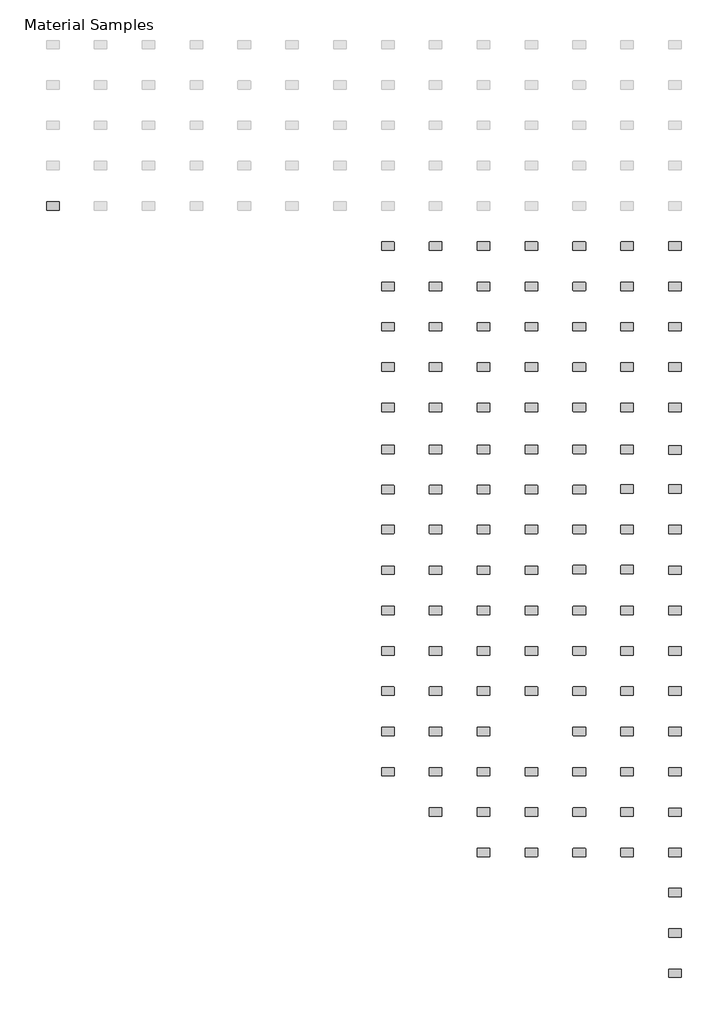
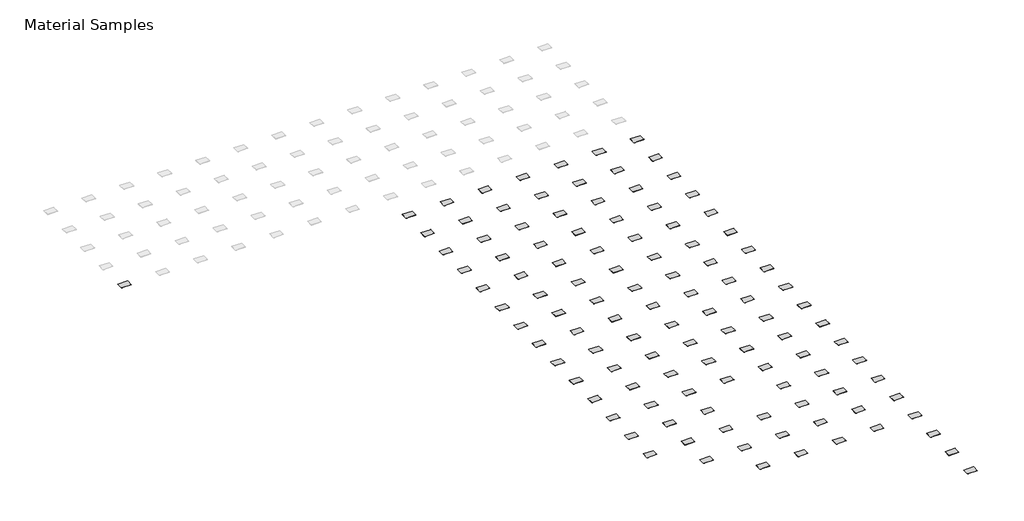
# One storey, part 6 of 15: 112 furniture elements.
"""IFC4 building model written with IfcOpenShell, lengths in millimetres."""

import ifcopenshell
import ifcopenshell.guid

model = None  # the IFC model being written
_history = None  # IfcOwnerHistory: only IFC2X3 demands one
_inside = {}  # id of a spatial element -> (the spatial element, [elements in it])
_under = {}  # id of a project, library or spatial element -> (it, [spatial elements below it])
_declared = {}  # id of a project -> (the project, [libraries it declares])
_typed = {}  # id of a type object -> (the type object, [elements of that type])
_made_of = {}  # id of a material, layer set ... -> (it, [elements and type objects made of it])


def new_model(schema):
    """Start an empty IFC model of exactly this schema.

    Asked for "IFC4X3", IfcOpenShell would pick the latest addendum, in which some entities
    have other attributes; the version numbers below select the first issue.
    IFC2X3 requires an IfcOwnerHistory on every rooted entity: one is made here for all.
    """
    global model, _history
    if schema == "IFC4X3":
        model = ifcopenshell.file(schema_version=(4, 3, 0, 0))
    else:
        model = ifcopenshell.file(schema=schema)
    _inside.clear()
    _under.clear()
    _declared.clear()
    _typed.clear()
    _made_of.clear()
    _history = None
    if model.schema == "IFC2X3":
        org = make("IfcOrganization", Name="unknown")
        user = make(
            "IfcPersonAndOrganization",
            ThePerson=make("IfcPerson", FamilyName="unknown"),
            TheOrganization=org,
        )
        app = make(
            "IfcApplication",
            ApplicationDeveloper=org,
            Version="unknown",
            ApplicationFullName="unknown",
            ApplicationIdentifier="unknown",
        )
        _history = make(
            "IfcOwnerHistory",
            OwningUser=user,
            OwningApplication=app,
            ChangeAction="ADDED",
            CreationDate=0,
        )
    return model


def make(cls, **values):
    """One entity of the class cls with the attributes given. An attribute that is None is left unset."""
    return model.create_entity(
        cls, **{name: value for name, value in values.items() if value is not None}
    )


def rooted(cls, **values):
    """An entity with a GlobalId (a new one), such as an element, a storey or a relation."""
    return make(cls, GlobalId=ifcopenshell.guid.new(), OwnerHistory=_history, **values)


def si_unit(unit_type, name, prefix=None):
    """IfcSIUnit, for example si_unit("LENGTHUNIT", "METRE", prefix="MILLI")."""
    return make("IfcSIUnit", UnitType=unit_type, Prefix=prefix, Name=name)


def assignment(units):
    """IfcUnitAssignment: the units of a project."""
    return None if units is None else make("IfcUnitAssignment", Units=units)


def point(xyz):
    """IfcCartesianPoint."""
    return None if xyz is None else make("IfcCartesianPoint", Coordinates=xyz)


def direction(xyz):
    """IfcDirection."""
    return None if xyz is None else make("IfcDirection", DirectionRatios=xyz)


def frame(location, z_axis=None, x_axis=None):
    """IfcAxis2Placement3D, a coordinate frame: its origin and axes. An axis left out is left unset."""
    return make(
        "IfcAxis2Placement3D",
        Location=point(location),
        Axis=direction(z_axis),
        RefDirection=direction(x_axis),
    )


def frame_2d(location, x_axis=None):
    """IfcAxis2Placement2D, a coordinate frame in the plane: its origin and x axis."""
    return make(
        "IfcAxis2Placement2D", Location=point(location), RefDirection=direction(x_axis)
    )


def origin():
    """The frame at (0, 0, 0) with its axes left unset."""
    return frame((0.0, 0.0, 0.0))


def place(relative_to, where):
    """IfcLocalPlacement: puts the frame where relative to a parent placement (None: the world)."""
    return make(
        "IfcLocalPlacement", PlacementRelTo=relative_to, RelativePlacement=where
    )


def context(
    kind, dimensions, precision=None, world=None, true_north=None, identifier=None
):
    """IfcGeometricRepresentationContext, for example the 3D "Model" context."""
    return make(
        "IfcGeometricRepresentationContext",
        ContextIdentifier=identifier,
        ContextType=kind,
        CoordinateSpaceDimension=dimensions,
        Precision=precision,
        WorldCoordinateSystem=world,
        TrueNorth=true_north,
    )


def project(units=None, contexts=None):
    """IfcProject with its units and contexts."""
    return rooted(
        "IfcProject",
        Name="project",
        RepresentationContexts=contexts,
        UnitsInContext=assignment(units),
    )


def spatial(cls, under=None, at=None, **own):
    """A site, building, storey or space (cls), placed at a placement, below another one or the project."""
    s = rooted(cls, ObjectPlacement=at, **own)
    if under is not None:
        _under.setdefault(under.id(), (under, []))[1].append(s)
    return s


def polyline(points):
    """IfcPolyline through the points."""
    return make("IfcPolyline", Points=[point(p) for p in points])


def circle_curve(where, radius):
    """IfcCircle in the frame where."""
    return make("IfcCircle", Position=where, Radius=radius)


def trimmed(basis, trim1, trim2, sense, master):
    """IfcTrimmedCurve: the piece of a basis curve between two trims."""
    return make(
        "IfcTrimmedCurve",
        BasisCurve=basis,
        Trim1=trim1,
        Trim2=trim2,
        SenseAgreement=sense,
        MasterRepresentation=master,
    )


def segment(curve, same_sense, transition):
    """IfcCompositeCurveSegment."""
    return make(
        "IfcCompositeCurveSegment",
        Transition=transition,
        SameSense=same_sense,
        ParentCurve=curve,
    )


def composite_curve(segments, self_intersect=None):
    """IfcCompositeCurve: segments joined end to end."""
    return make("IfcCompositeCurve", Segments=segments, SelfIntersect=self_intersect)


def outline(outer, holes=None, kind="AREA"):
    """IfcArbitraryClosedProfileDef: a profile drawn as a closed curve; with holes, ...WithVoids."""
    if holes is None:
        return make("IfcArbitraryClosedProfileDef", ProfileType=kind, OuterCurve=outer)
    return make(
        "IfcArbitraryProfileDefWithVoids",
        ProfileType=kind,
        OuterCurve=outer,
        InnerCurves=holes,
    )


def extrude(swept, where, along, depth):
    """IfcExtrudedAreaSolid: the profile swept, set in the frame where, extruded along a direction by depth."""
    return make(
        "IfcExtrudedAreaSolid",
        SweptArea=swept,
        Position=where,
        ExtrudedDirection=direction(along),
        Depth=depth,
    )


def shape(context_of_items, identifier, shape_type, items):
    """IfcShapeRepresentation: the items that make up one representation, for example the "Body"."""
    return make(
        "IfcShapeRepresentation",
        ContextOfItems=context_of_items,
        RepresentationIdentifier=identifier,
        RepresentationType=shape_type,
        Items=items,
    )


def source(mapping_origin, context_of_items, identifier, shape_type, items):
    """IfcRepresentationMap: a shape defined once, which mapped items show again and again."""
    return make(
        "IfcRepresentationMap",
        MappingOrigin=mapping_origin,
        MappedRepresentation=shape(context_of_items, identifier, shape_type, items),
    )


def transform(
    local_origin,
    x_axis=None,
    y_axis=None,
    z_axis=None,
    scale=None,
    scale2=None,
    scale3=None,
    uniform=True,
):
    """IfcCartesianTransformationOperator3D, or its non-uniform kind. x_axis, y_axis, z_axis: its Axis1, 2, 3."""
    if uniform:
        return make(
            "IfcCartesianTransformationOperator3D",
            Axis1=direction(x_axis),
            Axis2=direction(y_axis),
            LocalOrigin=point(local_origin),
            Scale=scale,
            Axis3=direction(z_axis),
        )
    return make(
        "IfcCartesianTransformationOperator3DnonUniform",
        Axis1=direction(x_axis),
        Axis2=direction(y_axis),
        LocalOrigin=point(local_origin),
        Scale=scale,
        Axis3=direction(z_axis),
        Scale2=scale2,
        Scale3=scale3,
    )


def mapped(mapping_source, mapping_target):
    """IfcMappedItem: shows the shape of a source again, moved by a transform."""
    return make(
        "IfcMappedItem", MappingSource=mapping_source, MappingTarget=mapping_target
    )


def made_of(thing, what):
    """Note that an element or type object is made of a material, layer set ...; save() writes the relation."""
    if what is not None:
        _made_of.setdefault(what.id(), (what, []))[1].append(thing)
    return thing


def element(
    cls,
    number,
    at=None,
    inside=None,
    cuts=None,
    type_object=None,
    material=None,
    context=None,
    identifier="Body",
    shape_type=None,
    held_by="IfcProductDefinitionShape",
    body=None,
    shapes=None,
    **own,
):
    """One element of the class cls, such as IfcWall. Its Tag is "e" and its number.

    at: its placement. inside: the storey or other place that contains it. cuts: it is an
    opening in that element (IfcRelVoidsElement). A single representation is given by context,
    identifier, shape_type and body (its items); several are given by shapes. held_by: the class
    of the entity that holds the representations. save() writes the other relations.
    """
    e = rooted(cls, Tag="e%d" % number, ObjectPlacement=at, **own)
    if body is not None:
        shapes = [shape(context, identifier, shape_type, body)]
    if shapes is not None:
        e.Representation = make(held_by, Representations=shapes)
    if inside is not None:
        _inside.setdefault(inside.id(), (inside, []))[1].append(e)
    if cuts is not None:
        rooted(
            "IfcRelVoidsElement", RelatingBuildingElement=cuts, RelatedOpeningElement=e
        )
    if type_object is not None:
        _typed.setdefault(type_object.id(), (type_object, []))[1].append(e)
    return made_of(e, material)


def aggregate(whole, parts):
    """IfcRelAggregates: a whole, such as a stair, and the parts it consists of."""
    return rooted("IfcRelAggregates", RelatingObject=whole, RelatedObjects=parts)


def save(model, path):
    """Write the relations noted so far, then the file.

    IfcRelAggregates (storeys below a building ...), IfcRelContainedInSpatialStructure (elements
    in a storey), IfcRelDefinesByType, IfcRelAssociatesMaterial and IfcRelDeclares: one each for
    every whole, place, type object, material and project.
    """
    for whole, parts in _under.values():
        aggregate(whole, parts)
    for where, things in _inside.values():
        rooted(
            "IfcRelContainedInSpatialStructure",
            RelatedElements=things,
            RelatingStructure=where,
        )
    for kind, things in _typed.values():
        rooted("IfcRelDefinesByType", RelatedObjects=things, RelatingType=kind)
    for what, things in _made_of.values():
        rooted("IfcRelAssociatesMaterial", RelatedObjects=things, RelatingMaterial=what)
    for by, libraries in _declared.values():
        rooted("IfcRelDeclares", RelatingContext=by, RelatedDefinitions=libraries)
    model.write(path)


def furniture_2008_material_sample3_2x3x1_8_96bf408c(model_context):
    return source(origin(), model_context, "Body", "SweptSolid", [
        extrude(outline(composite_curve([segment(trimmed(circle_curve(frame_2d((21215.2392185, 10811.8982463)), 6.35), [point((21215.2392185, 10818.2482463))], [point((21221.5892185, 10811.8982463))], False, "CARTESIAN"), True, "CONTINUOUS"), segment(polyline([(21221.5892185, 10811.8982463), (21221.5892185, 10570.5982463)]), True, "CONTINUOUS"), segment(trimmed(circle_curve(frame_2d((21215.2392185, 10570.5982463)), 6.35), [point((21221.5892185, 10570.5982463))], [point((21215.2392185, 10564.2482463))], False, "CARTESIAN"), True, "CONTINUOUS"), segment(polyline([(21215.2392185, 10564.2482463), (20846.9392185, 10564.2482463)]), True, "CONTINUOUS"), segment(trimmed(circle_curve(frame_2d((20846.9392185, 10570.5982463)), 6.35), [point((20846.9392185, 10564.2482463))], [point((20840.5892185, 10570.5982463))], False, "CARTESIAN"), True, "CONTINUOUS"), segment(polyline([(20840.5892185, 10570.5982463), (20840.5892185, 10811.8982463)]), True, "CONTINUOUS"), segment(trimmed(circle_curve(frame_2d((20846.9392185, 10811.8982463)), 6.35), [point((20840.5892185, 10811.8982463))], [point((20846.9392185, 10818.2482463))], False, "CARTESIAN"), True, "CONTINUOUS"), segment(polyline([(20846.9392185, 10818.2482463), (21215.2392185, 10818.2482463)]), True, "CONTINUOUS")], self_intersect=False)), frame((0.0, 0.0, -3.175), z_axis=(0.0, 0.0, 1.0), x_axis=(1.0, 0.0, 0.0)), (0.0, 0.0, 1.0), 3.175),
    ])


model = new_model("IFC4")

# Units and contexts
model_context = context("Model", 3, world=origin())
ifc_project = project(units=[si_unit("LENGTHUNIT", "METRE", prefix="MILLI")], contexts=[model_context])

# Site, building, storey
site = spatial("IfcSite", under=ifc_project)
building = spatial("IfcBuilding", under=site)
storey = spatial("IfcBuildingStorey", under=building, Name="Material Samples", Elevation=0.0)

# Furniture
placement = place(None, origin())
furniture_2008_material_sample3_2x3x1_8_shape = furniture_2008_material_sample3_2x3x1_8_96bf408c(model_context)
element("IfcFurniture", 1, ObjectType="2008_Material Sample3 : 2x3x1/8", at=placement, inside=storey, context=model_context, shape_type="MappedRepresentation", body=[
    mapped(furniture_2008_material_sample3_2x3x1_8_shape, transform((-31795.2143121, -103289.0275291, 25.4), x_axis=(1.0, 0.0, 0.0), y_axis=(0.0, 1.0, 0.0), z_axis=(0.0, 0.0, 1.0))),
])
element("IfcFurniture", 2, ObjectType="2008_Material Sample3 : 2x3x1/8", at=placement, inside=storey, context=model_context, shape_type="MappedRepresentation", body=[
    mapped(furniture_2008_material_sample3_2x3x1_8_shape, transform((-30347.4143121, -103289.0275291, 25.4), x_axis=(1.0, 0.0, 0.0), y_axis=(0.0, 1.0, 0.0), z_axis=(0.0, 0.0, 1.0))),
])
element("IfcFurniture", 3, ObjectType="2008_Material Sample3 : 2x3x1/8", at=placement, inside=storey, context=model_context, shape_type="MappedRepresentation", body=[
    mapped(furniture_2008_material_sample3_2x3x1_8_shape, transform((-28899.6143121, -103289.0275291, 25.4), x_axis=(1.0, 0.0, 0.0), y_axis=(0.0, 1.0, 0.0), z_axis=(0.0, 0.0, 1.0))),
])
element("IfcFurniture", 4, ObjectType="2008_Material Sample3 : 2x3x1/8", at=placement, inside=storey, context=model_context, shape_type="MappedRepresentation", body=[
    mapped(furniture_2008_material_sample3_2x3x1_8_shape, transform((-27451.8143121, -103289.0275291, 25.4), x_axis=(1.0, 0.0, 0.0), y_axis=(0.0, 1.0, 0.0), z_axis=(0.0, 0.0, 1.0))),
])
element("IfcFurniture", 5, ObjectType="2008_Material Sample3 : 2x3x1/8", at=placement, inside=storey, context=model_context, shape_type="MappedRepresentation", body=[
    mapped(furniture_2008_material_sample3_2x3x1_8_shape, transform((-26004.0143121, -103289.0275291, 25.4), x_axis=(1.0, 0.0, 0.0), y_axis=(0.0, 1.0, 0.0), z_axis=(0.0, 0.0, 1.0))),
])
element("IfcFurniture", 6, ObjectType="2008_Material Sample3 : 2x3x1/8", at=placement, inside=storey, context=model_context, shape_type="MappedRepresentation", body=[
    mapped(furniture_2008_material_sample3_2x3x1_8_shape, transform((-24556.2143121, -103289.0275291, 25.4), x_axis=(1.0, 0.0, 0.0), y_axis=(0.0, 1.0, 0.0), z_axis=(0.0, 0.0, 1.0))),
])
element("IfcFurniture", 7, ObjectType="2008_Material Sample3 : 2x3x1/8", at=placement, inside=storey, context=model_context, shape_type="MappedRepresentation", body=[
    mapped(furniture_2008_material_sample3_2x3x1_8_shape, transform((-23108.4143121, -103308.0775291, 25.4), x_axis=(1.0, 0.0, 0.0), y_axis=(0.0, 1.0, 0.0), z_axis=(0.0, 0.0, 1.0))),
])
element("IfcFurniture", 8, ObjectType="2008_Material Sample3 : 2x3x1/8", at=placement, inside=storey, context=model_context, shape_type="MappedRepresentation", body=[
    mapped(furniture_2008_material_sample3_2x3x1_8_shape, transform((-31795.2143121, -104508.2275291, 25.4), x_axis=(1.0, 0.0, 0.0), y_axis=(0.0, 1.0, 0.0), z_axis=(0.0, 0.0, 1.0))),
])
element("IfcFurniture", 9, ObjectType="2008_Material Sample3 : 2x3x1/8", at=placement, inside=storey, context=model_context, shape_type="MappedRepresentation", body=[
    mapped(furniture_2008_material_sample3_2x3x1_8_shape, transform((-30347.4143121, -104508.2275291, 25.4), x_axis=(1.0, 0.0, 0.0), y_axis=(0.0, 1.0, 0.0), z_axis=(0.0, 0.0, 1.0))),
])
element("IfcFurniture", 10, ObjectType="2008_Material Sample3 : 2x3x1/8", at=placement, inside=storey, context=model_context, shape_type="MappedRepresentation", body=[
    mapped(furniture_2008_material_sample3_2x3x1_8_shape, transform((-28899.6143121, -104508.2275291, 25.4), x_axis=(1.0, 0.0, 0.0), y_axis=(0.0, 1.0, 0.0), z_axis=(0.0, 0.0, 1.0))),
])
element("IfcFurniture", 11, ObjectType="2008_Material Sample3 : 2x3x1/8", at=placement, inside=storey, context=model_context, shape_type="MappedRepresentation", body=[
    mapped(furniture_2008_material_sample3_2x3x1_8_shape, transform((-27451.8143121, -104508.2275291, 25.4), x_axis=(1.0, 0.0, 0.0), y_axis=(0.0, 1.0, 0.0), z_axis=(0.0, 0.0, 1.0))),
])
element("IfcFurniture", 12, ObjectType="2008_Material Sample3 : 2x3x1/8", at=placement, inside=storey, context=model_context, shape_type="MappedRepresentation", body=[
    mapped(furniture_2008_material_sample3_2x3x1_8_shape, transform((-26004.0143121, -104508.2275291, 25.4), x_axis=(1.0, 0.0, 0.0), y_axis=(0.0, 1.0, 0.0), z_axis=(0.0, 0.0, 1.0))),
])
element("IfcFurniture", 13, ObjectType="2008_Material Sample3 : 2x3x1/8", at=placement, inside=storey, context=model_context, shape_type="MappedRepresentation", body=[
    mapped(furniture_2008_material_sample3_2x3x1_8_shape, transform((-24556.3250935, -104489.1775291, 25.4), x_axis=(1.0, 0.0, 0.0), y_axis=(0.0, 1.0, 0.0), z_axis=(0.0, 0.0, 1.0))),
])
element("IfcFurniture", 14, ObjectType="2008_Material Sample3 : 2x3x1/8", at=placement, inside=storey, context=model_context, shape_type="MappedRepresentation", body=[
    mapped(furniture_2008_material_sample3_2x3x1_8_shape, transform((-23108.5250935, -104489.1775291, 25.4), x_axis=(1.0, 0.0, 0.0), y_axis=(0.0, 1.0, 0.0), z_axis=(0.0, 0.0, 1.0))),
])
element("IfcFurniture", 15, ObjectType="2008_Material Sample3 : 2x3x1/8", at=placement, inside=storey, context=model_context, shape_type="MappedRepresentation", body=[
    mapped(furniture_2008_material_sample3_2x3x1_8_shape, transform((-31795.2143121, -105708.3775291, 25.4), x_axis=(1.0, 0.0, 0.0), y_axis=(0.0, 1.0, 0.0), z_axis=(0.0, 0.0, 1.0))),
])
element("IfcFurniture", 16, ObjectType="2008_Material Sample3 : 2x3x1/8", at=placement, inside=storey, context=model_context, shape_type="MappedRepresentation", body=[
    mapped(furniture_2008_material_sample3_2x3x1_8_shape, transform((-30347.4143121, -105708.3775291, 25.4), x_axis=(1.0, 0.0, 0.0), y_axis=(0.0, 1.0, 0.0), z_axis=(0.0, 0.0, 1.0))),
])
element("IfcFurniture", 17, ObjectType="2008_Material Sample3 : 2x3x1/8", at=placement, inside=storey, context=model_context, shape_type="MappedRepresentation", body=[
    mapped(furniture_2008_material_sample3_2x3x1_8_shape, transform((-28899.6143121, -105708.3775291, 25.4), x_axis=(1.0, 0.0, 0.0), y_axis=(0.0, 1.0, 0.0), z_axis=(0.0, 0.0, 1.0))),
])
element("IfcFurniture", 18, ObjectType="2008_Material Sample3 : 2x3x1/8", at=placement, inside=storey, context=model_context, shape_type="MappedRepresentation", body=[
    mapped(furniture_2008_material_sample3_2x3x1_8_shape, transform((-26004.0143121, -105708.3775291, 25.4), x_axis=(1.0, 0.0, 0.0), y_axis=(0.0, 1.0, 0.0), z_axis=(0.0, 0.0, 1.0))),
])
element("IfcFurniture", 19, ObjectType="2008_Material Sample3 : 2x3x1/8", at=placement, inside=storey, context=model_context, shape_type="MappedRepresentation", body=[
    mapped(furniture_2008_material_sample3_2x3x1_8_shape, transform((-24556.2143121, -105708.3775291, 25.4), x_axis=(1.0, 0.0, 0.0), y_axis=(0.0, 1.0, 0.0), z_axis=(0.0, 0.0, 1.0))),
])
element("IfcFurniture", 20, ObjectType="2008_Material Sample3 : 2x3x1/8", at=placement, inside=storey, context=model_context, shape_type="MappedRepresentation", body=[
    mapped(furniture_2008_material_sample3_2x3x1_8_shape, transform((-23108.4143121, -105708.3775291, 25.4), x_axis=(1.0, 0.0, 0.0), y_axis=(0.0, 1.0, 0.0), z_axis=(0.0, 0.0, 1.0))),
])
element("IfcFurniture", 21, ObjectType="2008_Material Sample3 : 2x3x1/8", at=placement, inside=storey, context=model_context, shape_type="MappedRepresentation", body=[
    mapped(furniture_2008_material_sample3_2x3x1_8_shape, transform((-31795.2143121, -106946.6275291, 25.4), x_axis=(1.0, 0.0, 0.0), y_axis=(0.0, 1.0, 0.0), z_axis=(0.0, 0.0, 1.0))),
])
element("IfcFurniture", 22, ObjectType="2008_Material Sample3 : 2x3x1/8", at=placement, inside=storey, context=model_context, shape_type="MappedRepresentation", body=[
    mapped(furniture_2008_material_sample3_2x3x1_8_shape, transform((-30347.4143121, -106946.6275291, 25.4), x_axis=(1.0, 0.0, 0.0), y_axis=(0.0, 1.0, 0.0), z_axis=(0.0, 0.0, 1.0))),
])
element("IfcFurniture", 23, ObjectType="2008_Material Sample3 : 2x3x1/8", at=placement, inside=storey, context=model_context, shape_type="MappedRepresentation", body=[
    mapped(furniture_2008_material_sample3_2x3x1_8_shape, transform((-28899.6143121, -106946.6275291, 25.4), x_axis=(1.0, 0.0, 0.0), y_axis=(0.0, 1.0, 0.0), z_axis=(0.0, 0.0, 1.0))),
])
element("IfcFurniture", 24, ObjectType="2008_Material Sample3 : 2x3x1/8", at=placement, inside=storey, context=model_context, shape_type="MappedRepresentation", body=[
    mapped(furniture_2008_material_sample3_2x3x1_8_shape, transform((-27451.8143121, -106946.6275291, 25.4), x_axis=(1.0, 0.0, 0.0), y_axis=(0.0, 1.0, 0.0), z_axis=(0.0, 0.0, 1.0))),
])
element("IfcFurniture", 25, ObjectType="2008_Material Sample3 : 2x3x1/8", at=placement, inside=storey, context=model_context, shape_type="MappedRepresentation", body=[
    mapped(furniture_2008_material_sample3_2x3x1_8_shape, transform((-26004.0143121, -106927.5775291, 25.4), x_axis=(1.0, 0.0, 0.0), y_axis=(0.0, 1.0, 0.0), z_axis=(0.0, 0.0, 1.0))),
])
element("IfcFurniture", 26, ObjectType="2008_Material Sample3 : 2x3x1/8", at=placement, inside=storey, context=model_context, shape_type="MappedRepresentation", body=[
    mapped(furniture_2008_material_sample3_2x3x1_8_shape, transform((-24556.2143121, -106927.5775291, 25.4), x_axis=(1.0, 0.0, 0.0), y_axis=(0.0, 1.0, 0.0), z_axis=(0.0, 0.0, 1.0))),
])
element("IfcFurniture", 27, ObjectType="2008_Material Sample3 : 2x3x1/8", at=placement, inside=storey, context=model_context, shape_type="MappedRepresentation", body=[
    mapped(furniture_2008_material_sample3_2x3x1_8_shape, transform((-23108.3035306, -106946.6275291, 25.4), x_axis=(1.0, 0.0, 0.0), y_axis=(0.0, 1.0, 0.0), z_axis=(0.0, 0.0, 1.0))),
])
element("IfcFurniture", 28, ObjectType="2008_Material Sample3 : 2x3x1/8", at=placement, inside=storey, context=model_context, shape_type="MappedRepresentation", body=[
    mapped(furniture_2008_material_sample3_2x3x1_8_shape, transform((-31795.2143121, -108165.8275291, 25.4), x_axis=(1.0, 0.0, 0.0), y_axis=(0.0, 1.0, 0.0), z_axis=(0.0, 0.0, 1.0))),
])
element("IfcFurniture", 29, ObjectType="2008_Material Sample3 : 2x3x1/8", at=placement, inside=storey, context=model_context, shape_type="MappedRepresentation", body=[
    mapped(furniture_2008_material_sample3_2x3x1_8_shape, transform((-30347.4143121, -108165.8275291, 25.4), x_axis=(1.0, 0.0, 0.0), y_axis=(0.0, 1.0, 0.0), z_axis=(0.0, 0.0, 1.0))),
])
element("IfcFurniture", 30, ObjectType="2008_Material Sample3 : 2x3x1/8", at=placement, inside=storey, context=model_context, shape_type="MappedRepresentation", body=[
    mapped(furniture_2008_material_sample3_2x3x1_8_shape, transform((-28899.6143121, -108165.8275291, 25.4), x_axis=(1.0, 0.0, 0.0), y_axis=(0.0, 1.0, 0.0), z_axis=(0.0, 0.0, 1.0))),
])
element("IfcFurniture", 31, ObjectType="2008_Material Sample3 : 2x3x1/8", at=placement, inside=storey, context=model_context, shape_type="MappedRepresentation", body=[
    mapped(furniture_2008_material_sample3_2x3x1_8_shape, transform((-27451.8143121, -108165.8275291, 25.4), x_axis=(1.0, 0.0, 0.0), y_axis=(0.0, 1.0, 0.0), z_axis=(0.0, 0.0, 1.0))),
])
element("IfcFurniture", 32, ObjectType="2008_Material Sample3 : 2x3x1/8", at=placement, inside=storey, context=model_context, shape_type="MappedRepresentation", body=[
    mapped(furniture_2008_material_sample3_2x3x1_8_shape, transform((-26004.0143121, -108165.8275291, 25.4), x_axis=(1.0, 0.0, 0.0), y_axis=(0.0, 1.0, 0.0), z_axis=(0.0, 0.0, 1.0))),
])
element("IfcFurniture", 33, ObjectType="2008_Material Sample3 : 2x3x1/8", at=placement, inside=storey, context=model_context, shape_type="MappedRepresentation", body=[
    mapped(furniture_2008_material_sample3_2x3x1_8_shape, transform((-24556.2143121, -108165.8275291, 25.4), x_axis=(1.0, 0.0, 0.0), y_axis=(0.0, 1.0, 0.0), z_axis=(0.0, 0.0, 1.0))),
])
element("IfcFurniture", 34, ObjectType="2008_Material Sample3 : 2x3x1/8", at=placement, inside=storey, context=model_context, shape_type="MappedRepresentation", body=[
    mapped(furniture_2008_material_sample3_2x3x1_8_shape, transform((-23108.4143121, -108165.8275291, 25.4), x_axis=(1.0, 0.0, 0.0), y_axis=(0.0, 1.0, 0.0), z_axis=(0.0, 0.0, 1.0))),
])
element("IfcFurniture", 35, ObjectType="2008_Material Sample3 : 2x3x1/8", at=placement, inside=storey, context=model_context, shape_type="MappedRepresentation", body=[
    mapped(furniture_2008_material_sample3_2x3x1_8_shape, transform((-31795.2143121, -109385.0275291, 25.4), x_axis=(1.0, 0.0, 0.0), y_axis=(0.0, 1.0, 0.0), z_axis=(0.0, 0.0, 1.0))),
])
element("IfcFurniture", 36, ObjectType="2008_Material Sample3 : 2x3x1/8", at=placement, inside=storey, context=model_context, shape_type="MappedRepresentation", body=[
    mapped(furniture_2008_material_sample3_2x3x1_8_shape, transform((-30347.4143121, -109385.0275291, 25.4), x_axis=(1.0, 0.0, 0.0), y_axis=(0.0, 1.0, 0.0), z_axis=(0.0, 0.0, 1.0))),
])
element("IfcFurniture", 37, ObjectType="2008_Material Sample3 : 2x3x1/8", at=placement, inside=storey, context=model_context, shape_type="MappedRepresentation", body=[
    mapped(furniture_2008_material_sample3_2x3x1_8_shape, transform((-28899.6143121, -109385.0275291, 25.4), x_axis=(1.0, 0.0, 0.0), y_axis=(0.0, 1.0, 0.0), z_axis=(0.0, 0.0, 1.0))),
])
element("IfcFurniture", 38, ObjectType="2008_Material Sample3 : 2x3x1/8", at=placement, inside=storey, context=model_context, shape_type="MappedRepresentation", body=[
    mapped(furniture_2008_material_sample3_2x3x1_8_shape, transform((-26004.0143121, -109385.0275291, 25.4), x_axis=(1.0, 0.0, 0.0), y_axis=(0.0, 1.0, 0.0), z_axis=(0.0, 0.0, 1.0))),
])
element("IfcFurniture", 39, ObjectType="2008_Material Sample3 : 2x3x1/8", at=placement, inside=storey, context=model_context, shape_type="MappedRepresentation", body=[
    mapped(furniture_2008_material_sample3_2x3x1_8_shape, transform((-24556.2143121, -109385.0275291, 25.4), x_axis=(1.0, 0.0, 0.0), y_axis=(0.0, 1.0, 0.0), z_axis=(0.0, 0.0, 1.0))),
])
element("IfcFurniture", 40, ObjectType="2008_Material Sample3 : 2x3x1/8", at=placement, inside=storey, context=model_context, shape_type="MappedRepresentation", body=[
    mapped(furniture_2008_material_sample3_2x3x1_8_shape, transform((-23108.4143121, -109385.0275291, 25.4), x_axis=(1.0, 0.0, 0.0), y_axis=(0.0, 1.0, 0.0), z_axis=(0.0, 0.0, 1.0))),
])
element("IfcFurniture", 41, ObjectType="2008_Material Sample3 : 2x3x1/8", at=placement, inside=storey, context=model_context, shape_type="MappedRepresentation", body=[
    mapped(furniture_2008_material_sample3_2x3x1_8_shape, transform((-31795.2143121, -110604.2275291, 25.4), x_axis=(1.0, 0.0, 0.0), y_axis=(0.0, 1.0, 0.0), z_axis=(0.0, 0.0, 1.0))),
])
element("IfcFurniture", 42, ObjectType="2008_Material Sample3 : 2x3x1/8", at=placement, inside=storey, context=model_context, shape_type="MappedRepresentation", body=[
    mapped(furniture_2008_material_sample3_2x3x1_8_shape, transform((-30347.4143121, -110604.2275291, 25.4), x_axis=(1.0, 0.0, 0.0), y_axis=(0.0, 1.0, 0.0), z_axis=(0.0, 0.0, 1.0))),
])
element("IfcFurniture", 43, ObjectType="2008_Material Sample3 : 2x3x1/8", at=placement, inside=storey, context=model_context, shape_type="MappedRepresentation", body=[
    mapped(furniture_2008_material_sample3_2x3x1_8_shape, transform((-28899.6143121, -110604.2275291, 25.4), x_axis=(1.0, 0.0, 0.0), y_axis=(0.0, 1.0, 0.0), z_axis=(0.0, 0.0, 1.0))),
])
element("IfcFurniture", 44, ObjectType="2008_Material Sample3 : 2x3x1/8", at=placement, inside=storey, context=model_context, shape_type="MappedRepresentation", body=[
    mapped(furniture_2008_material_sample3_2x3x1_8_shape, transform((-27451.8143121, -110604.2275291, 25.4), x_axis=(1.0, 0.0, 0.0), y_axis=(0.0, 1.0, 0.0), z_axis=(0.0, 0.0, 1.0))),
])
element("IfcFurniture", 45, ObjectType="2008_Material Sample3 : 2x3x1/8", at=placement, inside=storey, context=model_context, shape_type="MappedRepresentation", body=[
    mapped(furniture_2008_material_sample3_2x3x1_8_shape, transform((-26004.0143121, -110604.2275291, 25.4), x_axis=(1.0, 0.0, 0.0), y_axis=(0.0, 1.0, 0.0), z_axis=(0.0, 0.0, 1.0))),
])
element("IfcFurniture", 46, ObjectType="2008_Material Sample3 : 2x3x1/8", at=placement, inside=storey, context=model_context, shape_type="MappedRepresentation", body=[
    mapped(furniture_2008_material_sample3_2x3x1_8_shape, transform((-24556.1035306, -110604.2275291, 25.4), x_axis=(1.0, 0.0, 0.0), y_axis=(0.0, 1.0, 0.0), z_axis=(0.0, 0.0, 1.0))),
])
element("IfcFurniture", 47, ObjectType="2008_Material Sample3 : 2x3x1/8", at=placement, inside=storey, context=model_context, shape_type="MappedRepresentation", body=[
    mapped(furniture_2008_material_sample3_2x3x1_8_shape, transform((-23108.3035306, -110604.2275291, 25.4), x_axis=(1.0, 0.0, 0.0), y_axis=(0.0, 1.0, 0.0), z_axis=(0.0, 0.0, 1.0))),
])
element("IfcFurniture", 48, ObjectType="2008_Material Sample3 : 2x3x1/8", at=placement, inside=storey, context=model_context, shape_type="MappedRepresentation", body=[
    mapped(furniture_2008_material_sample3_2x3x1_8_shape, transform((-31795.1035306, -111823.4275291, 25.4), x_axis=(1.0, 0.0, 0.0), y_axis=(0.0, 1.0, 0.0), z_axis=(0.0, 0.0, 1.0))),
])
element("IfcFurniture", 49, ObjectType="2008_Material Sample3 : 2x3x1/8", at=placement, inside=storey, context=model_context, shape_type="MappedRepresentation", body=[
    mapped(furniture_2008_material_sample3_2x3x1_8_shape, transform((-30347.3035306, -111823.4275291, 25.4), x_axis=(1.0, 0.0, 0.0), y_axis=(0.0, 1.0, 0.0), z_axis=(0.0, 0.0, 1.0))),
])
element("IfcFurniture", 50, ObjectType="2008_Material Sample3 : 2x3x1/8", at=placement, inside=storey, context=model_context, shape_type="MappedRepresentation", body=[
    mapped(furniture_2008_material_sample3_2x3x1_8_shape, transform((-28899.5035306, -111823.4275291, 25.4), x_axis=(1.0, 0.0, 0.0), y_axis=(0.0, 1.0, 0.0), z_axis=(0.0, 0.0, 1.0))),
])
element("IfcFurniture", 51, ObjectType="2008_Material Sample3 : 2x3x1/8", at=placement, inside=storey, context=model_context, shape_type="MappedRepresentation", body=[
    mapped(furniture_2008_material_sample3_2x3x1_8_shape, transform((-26003.9035306, -111823.4275291, 25.4), x_axis=(1.0, 0.0, 0.0), y_axis=(0.0, 1.0, 0.0), z_axis=(0.0, 0.0, 1.0))),
])
element("IfcFurniture", 52, ObjectType="2008_Material Sample3 : 2x3x1/8", at=placement, inside=storey, context=model_context, shape_type="MappedRepresentation", body=[
    mapped(furniture_2008_material_sample3_2x3x1_8_shape, transform((-24556.1035306, -111823.4275291, 25.4), x_axis=(1.0, 0.0, 0.0), y_axis=(0.0, 1.0, 0.0), z_axis=(0.0, 0.0, 1.0))),
])
element("IfcFurniture", 53, ObjectType="2008_Material Sample3 : 2x3x1/8", at=placement, inside=storey, context=model_context, shape_type="MappedRepresentation", body=[
    mapped(furniture_2008_material_sample3_2x3x1_8_shape, transform((-23108.4143121, -111823.4275291, 25.4), x_axis=(1.0, 0.0, 0.0), y_axis=(0.0, 1.0, 0.0), z_axis=(0.0, 0.0, 1.0))),
])
element("IfcFurniture", 54, ObjectType="2008_Material Sample3 : 2x3x1/8", at=placement, inside=storey, context=model_context, shape_type="MappedRepresentation", body=[
    mapped(furniture_2008_material_sample3_2x3x1_8_shape, transform((-31795.1035306, -113042.6275291, 25.4), x_axis=(1.0, 0.0, 0.0), y_axis=(0.0, 1.0, 0.0), z_axis=(0.0, 0.0, 1.0))),
])
element("IfcFurniture", 55, ObjectType="2008_Material Sample3 : 2x3x1/8", at=placement, inside=storey, context=model_context, shape_type="MappedRepresentation", body=[
    mapped(furniture_2008_material_sample3_2x3x1_8_shape, transform((-30347.3035306, -113042.6275291, 25.4), x_axis=(1.0, 0.0, 0.0), y_axis=(0.0, 1.0, 0.0), z_axis=(0.0, 0.0, 1.0))),
])
element("IfcFurniture", 56, ObjectType="2008_Material Sample3 : 2x3x1/8", at=placement, inside=storey, context=model_context, shape_type="MappedRepresentation", body=[
    mapped(furniture_2008_material_sample3_2x3x1_8_shape, transform((-28899.5035306, -113042.6275291, 25.4), x_axis=(1.0, 0.0, 0.0), y_axis=(0.0, 1.0, 0.0), z_axis=(0.0, 0.0, 1.0))),
])
element("IfcFurniture", 57, ObjectType="2008_Material Sample3 : 2x3x1/8", at=placement, inside=storey, context=model_context, shape_type="MappedRepresentation", body=[
    mapped(furniture_2008_material_sample3_2x3x1_8_shape, transform((-27451.7035306, -113042.6275291, 25.4), x_axis=(1.0, 0.0, 0.0), y_axis=(0.0, 1.0, 0.0), z_axis=(0.0, 0.0, 1.0))),
])
element("IfcFurniture", 58, ObjectType="2008_Material Sample3 : 2x3x1/8", at=placement, inside=storey, context=model_context, shape_type="MappedRepresentation", body=[
    mapped(furniture_2008_material_sample3_2x3x1_8_shape, transform((-26003.9035306, -113042.6275291, 25.4), x_axis=(1.0, 0.0, 0.0), y_axis=(0.0, 1.0, 0.0), z_axis=(0.0, 0.0, 1.0))),
])
element("IfcFurniture", 59, ObjectType="2008_Material Sample3 : 2x3x1/8", at=placement, inside=storey, context=model_context, shape_type="MappedRepresentation", body=[
    mapped(furniture_2008_material_sample3_2x3x1_8_shape, transform((-24556.2143121, -113042.6275291, 25.4), x_axis=(1.0, 0.0, 0.0), y_axis=(0.0, 1.0, 0.0), z_axis=(0.0, 0.0, 1.0))),
])
element("IfcFurniture", 60, ObjectType="2008_Material Sample3 : 2x3x1/8", at=placement, inside=storey, context=model_context, shape_type="MappedRepresentation", body=[
    mapped(furniture_2008_material_sample3_2x3x1_8_shape, transform((-23108.4143121, -113042.6275291, 25.4), x_axis=(1.0, 0.0, 0.0), y_axis=(0.0, 1.0, 0.0), z_axis=(0.0, 0.0, 1.0))),
])
element("IfcFurniture", 61, ObjectType="2008_Material Sample3 : 2x3x1/8", at=placement, inside=storey, context=model_context, shape_type="MappedRepresentation", body=[
    mapped(furniture_2008_material_sample3_2x3x1_8_shape, transform((-30347.3035306, -114261.8275291, 25.4), x_axis=(1.0, 0.0, 0.0), y_axis=(0.0, 1.0, 0.0), z_axis=(0.0, 0.0, 1.0))),
])
element("IfcFurniture", 62, ObjectType="2008_Material Sample3 : 2x3x1/8", at=placement, inside=storey, context=model_context, shape_type="MappedRepresentation", body=[
    mapped(furniture_2008_material_sample3_2x3x1_8_shape, transform((-28899.5035306, -114261.8275291, 25.4), x_axis=(1.0, 0.0, 0.0), y_axis=(0.0, 1.0, 0.0), z_axis=(0.0, 0.0, 1.0))),
])
element("IfcFurniture", 63, ObjectType="2008_Material Sample3 : 2x3x1/8", at=placement, inside=storey, context=model_context, shape_type="MappedRepresentation", body=[
    mapped(furniture_2008_material_sample3_2x3x1_8_shape, transform((-26003.9035306, -114261.8275291, 25.4), x_axis=(1.0, 0.0, 0.0), y_axis=(0.0, 1.0, 0.0), z_axis=(0.0, 0.0, 1.0))),
])
element("IfcFurniture", 64, ObjectType="2008_Material Sample3 : 2x3x1/8", at=placement, inside=storey, context=model_context, shape_type="MappedRepresentation", body=[
    mapped(furniture_2008_material_sample3_2x3x1_8_shape, transform((-24556.1035306, -114261.8275291, 25.4), x_axis=(1.0, 0.0, 0.0), y_axis=(0.0, 1.0, 0.0), z_axis=(0.0, 0.0, 1.0))),
])
element("IfcFurniture", 65, ObjectType="2008_Material Sample3 : 2x3x1/8", at=placement, inside=storey, context=model_context, shape_type="MappedRepresentation", body=[
    mapped(furniture_2008_material_sample3_2x3x1_8_shape, transform((-23108.3035306, -114268.1775291, 25.4), x_axis=(1.0, 0.0, 0.0), y_axis=(0.0, 1.0, 0.0), z_axis=(0.0, 0.0, 1.0))),
])
element("IfcFurniture", 66, ObjectType="2008_Material Sample3 : 2x3x1/8", at=placement, inside=storey, context=model_context, shape_type="MappedRepresentation", body=[
    mapped(furniture_2008_material_sample3_2x3x1_8_shape, transform((-28899.7250935, -115481.0275291, 25.4), x_axis=(1.0, 0.0, 0.0), y_axis=(0.0, 1.0, 0.0), z_axis=(0.0, 0.0, 1.0))),
])
element("IfcFurniture", 67, ObjectType="2008_Material Sample3 : 2x3x1/8", at=placement, inside=storey, context=model_context, shape_type="MappedRepresentation", body=[
    mapped(furniture_2008_material_sample3_2x3x1_8_shape, transform((-27451.9250935, -115481.0275291, 25.4), x_axis=(1.0, 0.0, 0.0), y_axis=(0.0, 1.0, 0.0), z_axis=(0.0, 0.0, 1.0))),
])
element("IfcFurniture", 68, ObjectType="2008_Material Sample3 : 2x3x1/8", at=placement, inside=storey, context=model_context, shape_type="MappedRepresentation", body=[
    mapped(furniture_2008_material_sample3_2x3x1_8_shape, transform((-26004.1250935, -115487.3775291, 25.4), x_axis=(1.0, 0.0, 0.0), y_axis=(0.0, 1.0, 0.0), z_axis=(0.0, 0.0, 1.0))),
])
element("IfcFurniture", 69, ObjectType="2008_Material Sample3 : 2x3x1/8", at=placement, inside=storey, context=model_context, shape_type="MappedRepresentation", body=[
    mapped(furniture_2008_material_sample3_2x3x1_8_shape, transform((-24556.2143121, -115481.0275291, 25.4), x_axis=(1.0, 0.0, 0.0), y_axis=(0.0, 1.0, 0.0), z_axis=(0.0, 0.0, 1.0))),
])
element("IfcFurniture", 70, ObjectType="2008_Material Sample3 : 2x3x1/8", at=placement, inside=storey, context=model_context, shape_type="MappedRepresentation", body=[
    mapped(furniture_2008_material_sample3_2x3x1_8_shape, transform((-23108.4143121, -115481.0275291, 25.4), x_axis=(1.0, 0.0, 0.0), y_axis=(0.0, 1.0, 0.0), z_axis=(0.0, 0.0, 1.0))),
])
element("IfcFurniture", 71, ObjectType="2008_Material Sample3 : 2x3x1/8", at=placement, inside=storey, context=model_context, shape_type="MappedRepresentation", body=[
    mapped(furniture_2008_material_sample3_2x3x1_8_shape, transform((-23108.4143121, -116700.2275291, 25.4), x_axis=(1.0, 0.0, 0.0), y_axis=(0.0, 1.0, 0.0), z_axis=(0.0, 0.0, 1.0))),
])
element("IfcFurniture", 72, ObjectType="2008_Material Sample3 : 2x3x1/8", at=placement, inside=storey, context=model_context, shape_type="MappedRepresentation", body=[
    mapped(furniture_2008_material_sample3_2x3x1_8_shape, transform((-23108.4143121, -117919.4275291, 25.4), x_axis=(1.0, 0.0, 0.0), y_axis=(0.0, 1.0, 0.0), z_axis=(0.0, 0.0, 1.0))),
])
element("IfcFurniture", 73, ObjectType="2008_Material Sample3 : 2x3x1/8", at=placement, inside=storey, context=model_context, shape_type="MappedRepresentation", body=[
    mapped(furniture_2008_material_sample3_2x3x1_8_shape, transform((-23108.4143121, -119138.6275291, 25.4), x_axis=(1.0, 0.0, 0.0), y_axis=(0.0, 1.0, 0.0), z_axis=(0.0, 0.0, 1.0))),
])
element("IfcFurniture", 74, ObjectType="2008_Material Sample3 : 2x3x1/8", at=placement, inside=storey, context=model_context, shape_type="MappedRepresentation", body=[
    mapped(furniture_2008_material_sample3_2x3x1_8_shape, transform((-27451.8143121, -105708.3775291, 25.4), x_axis=(1.0, 0.0, 0.0), y_axis=(0.0, 1.0, 0.0), z_axis=(0.0, 0.0, 1.0))),
])
element("IfcFurniture", 75, ObjectType="2008_Material Sample3 : 2x3x1/8", at=placement, inside=storey, context=model_context, shape_type="MappedRepresentation", body=[
    mapped(furniture_2008_material_sample3_2x3x1_8_shape, transform((-27451.8143121, -109385.0275291, 25.4), x_axis=(1.0, 0.0, 0.0), y_axis=(0.0, 1.0, 0.0), z_axis=(0.0, 0.0, 1.0))),
])
element("IfcFurniture", 76, ObjectType="2008_Material Sample3 : 2x3x1/8", at=placement, inside=storey, context=model_context, shape_type="MappedRepresentation", body=[
    mapped(furniture_2008_material_sample3_2x3x1_8_shape, transform((-27451.7035306, -114261.8275291, 25.4), x_axis=(1.0, 0.0, 0.0), y_axis=(0.0, 1.0, 0.0), z_axis=(0.0, 0.0, 1.0))),
])
element("IfcFurniture", 77, ObjectType="2008_Material Sample4 : 2x3x1/8", at=placement, inside=storey, context=model_context, shape_type="MappedRepresentation", body=[
    mapped(furniture_2008_material_sample3_2x3x1_8_shape, transform((-41929.7699417, -95922.8209267, 25.4), x_axis=(1.0, 0.0, 0.0), y_axis=(0.0, 1.0, 0.0), z_axis=(0.0, 0.0, 1.0))),
])
element("IfcFurniture", 78, ObjectType="2008_Material Sample4 : 2x3x1/8", at=placement, inside=storey, context=model_context, shape_type="MappedRepresentation", body=[
    mapped(furniture_2008_material_sample3_2x3x1_8_shape, transform((-31795.2807231, -97142.0209267, 25.4), x_axis=(1.0, 0.0, 0.0), y_axis=(0.0, 1.0, 0.0), z_axis=(0.0, 0.0, 1.0))),
])
element("IfcFurniture", 79, ObjectType="2008_Material Sample4 : 2x3x1/8", at=placement, inside=storey, context=model_context, shape_type="MappedRepresentation", body=[
    mapped(furniture_2008_material_sample3_2x3x1_8_shape, transform((-30347.4807231, -97142.0209267, 25.4), x_axis=(1.0, 0.0, 0.0), y_axis=(0.0, 1.0, 0.0), z_axis=(0.0, 0.0, 1.0))),
])
element("IfcFurniture", 80, ObjectType="2008_Material Sample4 : 2x3x1/8", at=placement, inside=storey, context=model_context, shape_type="MappedRepresentation", body=[
    mapped(furniture_2008_material_sample3_2x3x1_8_shape, transform((-28899.6807231, -97142.0209267, 25.4), x_axis=(1.0, 0.0, 0.0), y_axis=(0.0, 1.0, 0.0), z_axis=(0.0, 0.0, 1.0))),
])
element("IfcFurniture", 81, ObjectType="2008_Material Sample4 : 2x3x1/8", at=placement, inside=storey, context=model_context, shape_type="MappedRepresentation", body=[
    mapped(furniture_2008_material_sample3_2x3x1_8_shape, transform((-27451.8807231, -97142.0209267, 25.4), x_axis=(1.0, 0.0, 0.0), y_axis=(0.0, 1.0, 0.0), z_axis=(0.0, 0.0, 1.0))),
])
element("IfcFurniture", 82, ObjectType="2008_Material Sample4 : 2x3x1/8", at=placement, inside=storey, context=model_context, shape_type="MappedRepresentation", body=[
    mapped(furniture_2008_material_sample3_2x3x1_8_shape, transform((-26004.0807231, -97142.0209267, 25.4), x_axis=(1.0, 0.0, 0.0), y_axis=(0.0, 1.0, 0.0), z_axis=(0.0, 0.0, 1.0))),
])
element("IfcFurniture", 83, ObjectType="2008_Material Sample4 : 2x3x1/8", at=placement, inside=storey, context=model_context, shape_type="MappedRepresentation", body=[
    mapped(furniture_2008_material_sample3_2x3x1_8_shape, transform((-24556.2807231, -97142.0209267, 25.4), x_axis=(1.0, 0.0, 0.0), y_axis=(0.0, 1.0, 0.0), z_axis=(0.0, 0.0, 1.0))),
])
element("IfcFurniture", 84, ObjectType="2008_Material Sample4 : 2x3x1/8", at=placement, inside=storey, context=model_context, shape_type="MappedRepresentation", body=[
    mapped(furniture_2008_material_sample3_2x3x1_8_shape, transform((-23108.3699417, -97142.0209267, 25.4), x_axis=(1.0, 0.0, 0.0), y_axis=(0.0, 1.0, 0.0), z_axis=(0.0, 0.0, 1.0))),
])
element("IfcFurniture", 85, ObjectType="2008_Material Sample4 : 2x3x1/8", at=placement, inside=storey, context=model_context, shape_type="MappedRepresentation", body=[
    mapped(furniture_2008_material_sample3_2x3x1_8_shape, transform((-31795.2807231, -98361.2209267, 25.4), x_axis=(1.0, 0.0, 0.0), y_axis=(0.0, 1.0, 0.0), z_axis=(0.0, 0.0, 1.0))),
])
element("IfcFurniture", 86, ObjectType="2008_Material Sample4 : 2x3x1/8", at=placement, inside=storey, context=model_context, shape_type="MappedRepresentation", body=[
    mapped(furniture_2008_material_sample3_2x3x1_8_shape, transform((-30347.4807231, -98361.2209267, 25.4), x_axis=(1.0, 0.0, 0.0), y_axis=(0.0, 1.0, 0.0), z_axis=(0.0, 0.0, 1.0))),
])
element("IfcFurniture", 87, ObjectType="2008_Material Sample4 : 2x3x1/8", at=placement, inside=storey, context=model_context, shape_type="MappedRepresentation", body=[
    mapped(furniture_2008_material_sample3_2x3x1_8_shape, transform((-28899.6807231, -98361.2209267, 25.4), x_axis=(1.0, 0.0, 0.0), y_axis=(0.0, 1.0, 0.0), z_axis=(0.0, 0.0, 1.0))),
])
element("IfcFurniture", 88, ObjectType="2008_Material Sample4 : 2x3x1/8", at=placement, inside=storey, context=model_context, shape_type="MappedRepresentation", body=[
    mapped(furniture_2008_material_sample3_2x3x1_8_shape, transform((-27451.8807231, -98361.2209267, 25.4), x_axis=(1.0, 0.0, 0.0), y_axis=(0.0, 1.0, 0.0), z_axis=(0.0, 0.0, 1.0))),
])
element("IfcFurniture", 89, ObjectType="2008_Material Sample4 : 2x3x1/8", at=placement, inside=storey, context=model_context, shape_type="MappedRepresentation", body=[
    mapped(furniture_2008_material_sample3_2x3x1_8_shape, transform((-26004.0807231, -98361.2209267, 25.4), x_axis=(1.0, 0.0, 0.0), y_axis=(0.0, 1.0, 0.0), z_axis=(0.0, 0.0, 1.0))),
])
element("IfcFurniture", 90, ObjectType="2008_Material Sample4 : 2x3x1/8", at=placement, inside=storey, context=model_context, shape_type="MappedRepresentation", body=[
    mapped(furniture_2008_material_sample3_2x3x1_8_shape, transform((-24556.2807231, -98361.2209267, 25.4), x_axis=(1.0, 0.0, 0.0), y_axis=(0.0, 1.0, 0.0), z_axis=(0.0, 0.0, 1.0))),
])
element("IfcFurniture", 91, ObjectType="2008_Material Sample4 : 2x3x1/8", at=placement, inside=storey, context=model_context, shape_type="MappedRepresentation", body=[
    mapped(furniture_2008_material_sample3_2x3x1_8_shape, transform((-23108.4807231, -98361.2209267, 25.4), x_axis=(1.0, 0.0, 0.0), y_axis=(0.0, 1.0, 0.0), z_axis=(0.0, 0.0, 1.0))),
])
element("IfcFurniture", 92, ObjectType="2008_Material Sample4 : 2x3x1/8", at=placement, inside=storey, context=model_context, shape_type="MappedRepresentation", body=[
    mapped(furniture_2008_material_sample3_2x3x1_8_shape, transform((-31795.2807231, -99580.4209267, 25.4), x_axis=(1.0, 0.0, 0.0), y_axis=(0.0, 1.0, 0.0), z_axis=(0.0, 0.0, 1.0))),
])
element("IfcFurniture", 93, ObjectType="2008_Material Sample4 : 2x3x1/8", at=placement, inside=storey, context=model_context, shape_type="MappedRepresentation", body=[
    mapped(furniture_2008_material_sample3_2x3x1_8_shape, transform((-30347.4807231, -99580.4209267, 25.4), x_axis=(1.0, 0.0, 0.0), y_axis=(0.0, 1.0, 0.0), z_axis=(0.0, 0.0, 1.0))),
])
element("IfcFurniture", 94, ObjectType="2008_Material Sample4 : 2x3x1/8", at=placement, inside=storey, context=model_context, shape_type="MappedRepresentation", body=[
    mapped(furniture_2008_material_sample3_2x3x1_8_shape, transform((-28899.6807231, -99580.4209267, 25.4), x_axis=(1.0, 0.0, 0.0), y_axis=(0.0, 1.0, 0.0), z_axis=(0.0, 0.0, 1.0))),
])
element("IfcFurniture", 95, ObjectType="2008_Material Sample4 : 2x3x1/8", at=placement, inside=storey, context=model_context, shape_type="MappedRepresentation", body=[
    mapped(furniture_2008_material_sample3_2x3x1_8_shape, transform((-27451.8807231, -99580.4209267, 25.4), x_axis=(1.0, 0.0, 0.0), y_axis=(0.0, 1.0, 0.0), z_axis=(0.0, 0.0, 1.0))),
])
element("IfcFurniture", 96, ObjectType="2008_Material Sample4 : 2x3x1/8", at=placement, inside=storey, context=model_context, shape_type="MappedRepresentation", body=[
    mapped(furniture_2008_material_sample3_2x3x1_8_shape, transform((-26004.0807231, -99580.4209267, 25.4), x_axis=(1.0, 0.0, 0.0), y_axis=(0.0, 1.0, 0.0), z_axis=(0.0, 0.0, 1.0))),
])
element("IfcFurniture", 97, ObjectType="2008_Material Sample4 : 2x3x1/8", at=placement, inside=storey, context=model_context, shape_type="MappedRepresentation", body=[
    mapped(furniture_2008_material_sample3_2x3x1_8_shape, transform((-24556.1699417, -99580.4209267, 25.4), x_axis=(1.0, 0.0, 0.0), y_axis=(0.0, 1.0, 0.0), z_axis=(0.0, 0.0, 1.0))),
])
element("IfcFurniture", 98, ObjectType="2008_Material Sample4 : 2x3x1/8", at=placement, inside=storey, context=model_context, shape_type="MappedRepresentation", body=[
    mapped(furniture_2008_material_sample3_2x3x1_8_shape, transform((-23108.5915046, -99580.4209267, 25.4), x_axis=(1.0, 0.0, 0.0), y_axis=(0.0, 1.0, 0.0), z_axis=(0.0, 0.0, 1.0))),
])
element("IfcFurniture", 99, ObjectType="2008_Material Sample4 : 2x3x1/8", at=placement, inside=storey, context=model_context, shape_type="MappedRepresentation", body=[
    mapped(furniture_2008_material_sample3_2x3x1_8_shape, transform((-31795.3915046, -100799.6209267, 25.4), x_axis=(1.0, 0.0, 0.0), y_axis=(0.0, 1.0, 0.0), z_axis=(0.0, 0.0, 1.0))),
])
element("IfcFurniture", 100, ObjectType="2008_Material Sample4 : 2x3x1/8", at=placement, inside=storey, context=model_context, shape_type="MappedRepresentation", body=[
    mapped(furniture_2008_material_sample3_2x3x1_8_shape, transform((-30347.5915046, -100799.6209267, 25.4), x_axis=(1.0, 0.0, 0.0), y_axis=(0.0, 1.0, 0.0), z_axis=(0.0, 0.0, 1.0))),
])
element("IfcFurniture", 101, ObjectType="2008_Material Sample4 : 2x3x1/8", at=placement, inside=storey, context=model_context, shape_type="MappedRepresentation", body=[
    mapped(furniture_2008_material_sample3_2x3x1_8_shape, transform((-28899.7915046, -100799.6209267, 25.4), x_axis=(1.0, 0.0, 0.0), y_axis=(0.0, 1.0, 0.0), z_axis=(0.0, 0.0, 1.0))),
])
element("IfcFurniture", 102, ObjectType="2008_Material Sample4 : 2x3x1/8", at=placement, inside=storey, context=model_context, shape_type="MappedRepresentation", body=[
    mapped(furniture_2008_material_sample3_2x3x1_8_shape, transform((-27451.9915046, -100799.6209267, 25.4), x_axis=(1.0, 0.0, 0.0), y_axis=(0.0, 1.0, 0.0), z_axis=(0.0, 0.0, 1.0))),
])
element("IfcFurniture", 103, ObjectType="2008_Material Sample4 : 2x3x1/8", at=placement, inside=storey, context=model_context, shape_type="MappedRepresentation", body=[
    mapped(furniture_2008_material_sample3_2x3x1_8_shape, transform((-26004.1915046, -100799.6209267, 25.4), x_axis=(1.0, 0.0, 0.0), y_axis=(0.0, 1.0, 0.0), z_axis=(0.0, 0.0, 1.0))),
])
element("IfcFurniture", 104, ObjectType="2008_Material Sample4 : 2x3x1/8", at=placement, inside=storey, context=model_context, shape_type="MappedRepresentation", body=[
    mapped(furniture_2008_material_sample3_2x3x1_8_shape, transform((-24556.2807231, -100799.6209267, 25.4), x_axis=(1.0, 0.0, 0.0), y_axis=(0.0, 1.0, 0.0), z_axis=(0.0, 0.0, 1.0))),
])
element("IfcFurniture", 105, ObjectType="2008_Material Sample4 : 2x3x1/8", at=placement, inside=storey, context=model_context, shape_type="MappedRepresentation", body=[
    mapped(furniture_2008_material_sample3_2x3x1_8_shape, transform((-23108.4807231, -100799.6209267, 25.4), x_axis=(1.0, 0.0, 0.0), y_axis=(0.0, 1.0, 0.0), z_axis=(0.0, 0.0, 1.0))),
])
element("IfcFurniture", 106, ObjectType="2008_Material Sample4 : 2x3x1/8", at=placement, inside=storey, context=model_context, shape_type="MappedRepresentation", body=[
    mapped(furniture_2008_material_sample3_2x3x1_8_shape, transform((-31795.2807231, -102018.8209267, 25.4), x_axis=(1.0, 0.0, 0.0), y_axis=(0.0, 1.0, 0.0), z_axis=(0.0, 0.0, 1.0))),
])
element("IfcFurniture", 107, ObjectType="2008_Material Sample4 : 2x3x1/8", at=placement, inside=storey, context=model_context, shape_type="MappedRepresentation", body=[
    mapped(furniture_2008_material_sample3_2x3x1_8_shape, transform((-30347.4807231, -102018.8209267, 25.4), x_axis=(1.0, 0.0, 0.0), y_axis=(0.0, 1.0, 0.0), z_axis=(0.0, 0.0, 1.0))),
])
element("IfcFurniture", 108, ObjectType="2008_Material Sample4 : 2x3x1/8", at=placement, inside=storey, context=model_context, shape_type="MappedRepresentation", body=[
    mapped(furniture_2008_material_sample3_2x3x1_8_shape, transform((-28899.6807231, -102018.8209267, 25.4), x_axis=(1.0, 0.0, 0.0), y_axis=(0.0, 1.0, 0.0), z_axis=(0.0, 0.0, 1.0))),
])
element("IfcFurniture", 109, ObjectType="2008_Material Sample4 : 2x3x1/8", at=placement, inside=storey, context=model_context, shape_type="MappedRepresentation", body=[
    mapped(furniture_2008_material_sample3_2x3x1_8_shape, transform((-27451.8807231, -102018.8209267, 25.4), x_axis=(1.0, 0.0, 0.0), y_axis=(0.0, 1.0, 0.0), z_axis=(0.0, 0.0, 1.0))),
])
element("IfcFurniture", 110, ObjectType="2008_Material Sample4 : 2x3x1/8", at=placement, inside=storey, context=model_context, shape_type="MappedRepresentation", body=[
    mapped(furniture_2008_material_sample3_2x3x1_8_shape, transform((-26004.0807231, -102018.8209267, 25.4), x_axis=(1.0, 0.0, 0.0), y_axis=(0.0, 1.0, 0.0), z_axis=(0.0, 0.0, 1.0))),
])
element("IfcFurniture", 111, ObjectType="2008_Material Sample4 : 2x3x1/8", at=placement, inside=storey, context=model_context, shape_type="MappedRepresentation", body=[
    mapped(furniture_2008_material_sample3_2x3x1_8_shape, transform((-24556.2807231, -102018.8209267, 25.4), x_axis=(1.0, 0.0, 0.0), y_axis=(0.0, 1.0, 0.0), z_axis=(0.0, 0.0, 1.0))),
])
element("IfcFurniture", 112, ObjectType="2008_Material Sample4 : 2x3x1/8", at=placement, inside=storey, context=model_context, shape_type="MappedRepresentation", body=[
    mapped(furniture_2008_material_sample3_2x3x1_8_shape, transform((-23108.4807231, -102018.8209267, 25.4), x_axis=(1.0, 0.0, 0.0), y_axis=(0.0, 1.0, 0.0), z_axis=(0.0, 0.0, 1.0))),
])

save(model, "model.ifc")
